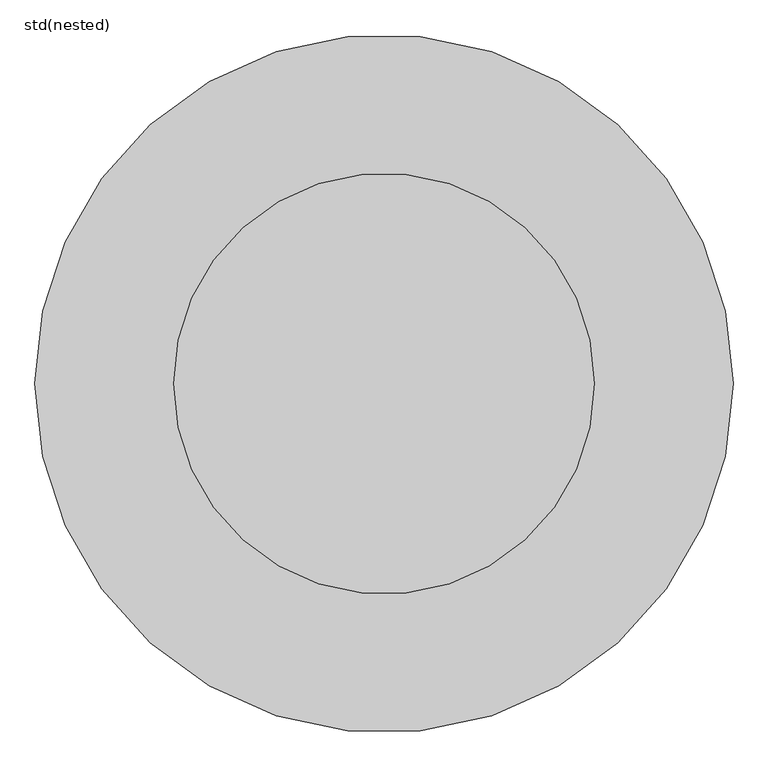
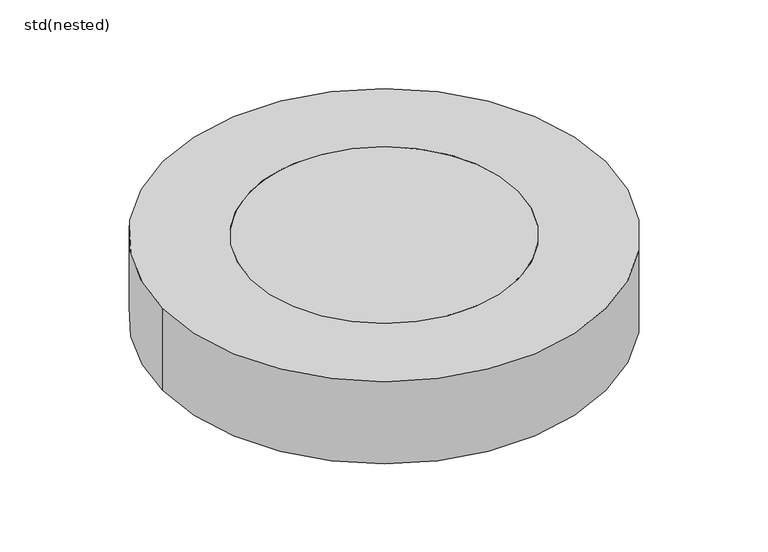
"""IFC4 building model written with IfcOpenShell, lengths in millimetres: unitary equipment geometry, std(nested)."""

from ifc_helpers import new_model, si_unit, point, frame, origin, origin_2d, place, context, project, spatial, circle_curve, trimmed, segment, composite_curve, outline, extrude, source, transform, mapped, element, save


def std_nested_c3149d3e(model_context):
    return source(origin(), model_context, "Body", "SweptSolid", [
        extrude(outline(composite_curve([segment(trimmed(circle_curve(origin_2d(), 510.0), [point((-510.0, 0.0))], [point((510.0, 0.0))], False, "CARTESIAN"), True, "CONTINUOUS"), segment(trimmed(circle_curve(origin_2d(), 510.0), [point((510.0, 0.0))], [point((-510.0, 0.0))], False, "CARTESIAN"), True, "CONTINUOUS")], self_intersect=False), holes=[composite_curve([segment(trimmed(circle_curve(origin_2d(), 307.5), [point((-307.5, 0.0))], [point((307.5, 0.0))], True, "CARTESIAN"), True, "CONTINUOUS"), segment(trimmed(circle_curve(origin_2d(), 307.5), [point((307.5, 0.0))], [point((-307.5, 0.0))], True, "CARTESIAN"), True, "CONTINUOUS")], self_intersect=False)]), frame((0.0, 0.0, -200.1138553), z_axis=(0.0, 0.0, 1.0), x_axis=(1.0, 0.0, 0.0)), (0.0, 0.0, 1.0), 200.1138553),
        extrude(outline(composite_curve([segment(trimmed(circle_curve(origin_2d(), 307.5), [point((307.5, 0.0))], [point((-307.5, 0.0))], False, "CARTESIAN"), True, "CONTINUOUS"), segment(trimmed(circle_curve(origin_2d(), 307.5), [point((-307.5, 0.0))], [point((307.5, 0.0))], False, "CARTESIAN"), True, "CONTINUOUS")], self_intersect=False)), frame((0.0, 0.0, -48.0), z_axis=(0.0, 0.0, 1.0), x_axis=(1.0, 0.0, 0.0)), (0.0, 0.0, 1.0), 48.0),
    ])


if __name__ == "__main__":
    model = new_model("IFC4")
    model_context = context("Model", 3, world=origin())
    ifc_project = project(units=[si_unit("LENGTHUNIT", "METRE", prefix="MILLI")], contexts=[model_context])
    site = spatial("IfcSite", under=ifc_project)
    building = spatial("IfcBuilding", under=site)
    placement = place(None, origin())
    std_nested_shape = std_nested_c3149d3e(model_context)
    element("IfcUnitaryEquipment", 1, ObjectType="std(nested)", at=placement, inside=building, context=model_context, shape_type="MappedRepresentation", body=[
        mapped(std_nested_shape, transform((0.0, 0.0, 0.0), x_axis=(1.0, 0.0, 0.0), y_axis=(0.0, 1.0, 0.0), z_axis=(0.0, 0.0, 1.0))),
    ])
    save(model, "model.ifc")
